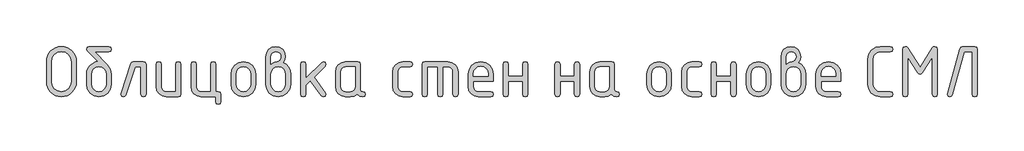
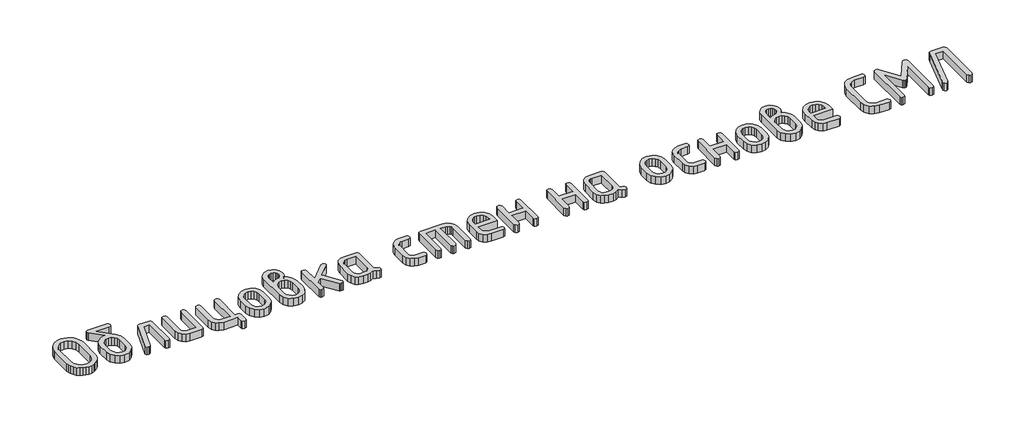
# One storey, part 14 of 33: 1 proxy.
"""IFC4 building model written with IfcOpenShell, lengths in millimetres."""

import ifcopenshell
import ifcopenshell.guid

model = None  # the IFC model being written
_history = None  # IfcOwnerHistory: only IFC2X3 demands one
_inside = {}  # id of a spatial element -> (the spatial element, [elements in it])
_under = {}  # id of a project, library or spatial element -> (it, [spatial elements below it])
_declared = {}  # id of a project -> (the project, [libraries it declares])
_typed = {}  # id of a type object -> (the type object, [elements of that type])
_made_of = {}  # id of a material, layer set ... -> (it, [elements and type objects made of it])


def new_model(schema):
    """Start an empty IFC model of exactly this schema.

    Asked for "IFC4X3", IfcOpenShell would pick the latest addendum, in which some entities
    have other attributes; the version numbers below select the first issue.
    IFC2X3 requires an IfcOwnerHistory on every rooted entity: one is made here for all.
    """
    global model, _history
    if schema == "IFC4X3":
        model = ifcopenshell.file(schema_version=(4, 3, 0, 0))
    else:
        model = ifcopenshell.file(schema=schema)
    _inside.clear()
    _under.clear()
    _declared.clear()
    _typed.clear()
    _made_of.clear()
    _history = None
    if model.schema == "IFC2X3":
        org = make("IfcOrganization", Name="unknown")
        user = make(
            "IfcPersonAndOrganization",
            ThePerson=make("IfcPerson", FamilyName="unknown"),
            TheOrganization=org,
        )
        app = make(
            "IfcApplication",
            ApplicationDeveloper=org,
            Version="unknown",
            ApplicationFullName="unknown",
            ApplicationIdentifier="unknown",
        )
        _history = make(
            "IfcOwnerHistory",
            OwningUser=user,
            OwningApplication=app,
            ChangeAction="ADDED",
            CreationDate=0,
        )
    return model


def make(cls, **values):
    """One entity of the class cls with the attributes given. An attribute that is None is left unset."""
    return model.create_entity(
        cls, **{name: value for name, value in values.items() if value is not None}
    )


def rooted(cls, **values):
    """An entity with a GlobalId (a new one), such as an element, a storey or a relation."""
    return make(cls, GlobalId=ifcopenshell.guid.new(), OwnerHistory=_history, **values)


def si_unit(unit_type, name, prefix=None):
    """IfcSIUnit, for example si_unit("LENGTHUNIT", "METRE", prefix="MILLI")."""
    return make("IfcSIUnit", UnitType=unit_type, Prefix=prefix, Name=name)


def assignment(units):
    """IfcUnitAssignment: the units of a project."""
    return None if units is None else make("IfcUnitAssignment", Units=units)


def point(xyz):
    """IfcCartesianPoint."""
    return None if xyz is None else make("IfcCartesianPoint", Coordinates=xyz)


def direction(xyz):
    """IfcDirection."""
    return None if xyz is None else make("IfcDirection", DirectionRatios=xyz)


def frame(location, z_axis=None, x_axis=None):
    """IfcAxis2Placement3D, a coordinate frame: its origin and axes. An axis left out is left unset."""
    return make(
        "IfcAxis2Placement3D",
        Location=point(location),
        Axis=direction(z_axis),
        RefDirection=direction(x_axis),
    )


def origin():
    """The frame at (0, 0, 0) with its axes left unset."""
    return frame((0.0, 0.0, 0.0))


def origin_with_axes():
    """The frame at (0, 0, 0) with the z axis (0, 0, 1) and the x axis (1, 0, 0) written out."""
    return frame((0.0, 0.0, 0.0), z_axis=(0.0, 0.0, 1.0), x_axis=(1.0, 0.0, 0.0))


def place(relative_to, where):
    """IfcLocalPlacement: puts the frame where relative to a parent placement (None: the world)."""
    return make(
        "IfcLocalPlacement", PlacementRelTo=relative_to, RelativePlacement=where
    )


def context(
    kind, dimensions, precision=None, world=None, true_north=None, identifier=None
):
    """IfcGeometricRepresentationContext, for example the 3D "Model" context."""
    return make(
        "IfcGeometricRepresentationContext",
        ContextIdentifier=identifier,
        ContextType=kind,
        CoordinateSpaceDimension=dimensions,
        Precision=precision,
        WorldCoordinateSystem=world,
        TrueNorth=true_north,
    )


def project(units=None, contexts=None):
    """IfcProject with its units and contexts."""
    return rooted(
        "IfcProject",
        Name="project",
        RepresentationContexts=contexts,
        UnitsInContext=assignment(units),
    )


def spatial(cls, under=None, at=None, **own):
    """A site, building, storey or space (cls), placed at a placement, below another one or the project."""
    s = rooted(cls, ObjectPlacement=at, **own)
    if under is not None:
        _under.setdefault(under.id(), (under, []))[1].append(s)
    return s


def polyline(points):
    """IfcPolyline through the points."""
    return make("IfcPolyline", Points=[point(p) for p in points])


def outline(outer, holes=None, kind="AREA"):
    """IfcArbitraryClosedProfileDef: a profile drawn as a closed curve; with holes, ...WithVoids."""
    if holes is None:
        return make("IfcArbitraryClosedProfileDef", ProfileType=kind, OuterCurve=outer)
    return make(
        "IfcArbitraryProfileDefWithVoids",
        ProfileType=kind,
        OuterCurve=outer,
        InnerCurves=holes,
    )


def extrude(swept, where, along, depth):
    """IfcExtrudedAreaSolid: the profile swept, set in the frame where, extruded along a direction by depth."""
    return make(
        "IfcExtrudedAreaSolid",
        SweptArea=swept,
        Position=where,
        ExtrudedDirection=direction(along),
        Depth=depth,
    )


def shape(context_of_items, identifier, shape_type, items):
    """IfcShapeRepresentation: the items that make up one representation, for example the "Body"."""
    return make(
        "IfcShapeRepresentation",
        ContextOfItems=context_of_items,
        RepresentationIdentifier=identifier,
        RepresentationType=shape_type,
        Items=items,
    )


def made_of(thing, what):
    """Note that an element or type object is made of a material, layer set ...; save() writes the relation."""
    if what is not None:
        _made_of.setdefault(what.id(), (what, []))[1].append(thing)
    return thing


def element(
    cls,
    number,
    at=None,
    inside=None,
    cuts=None,
    type_object=None,
    material=None,
    context=None,
    identifier="Body",
    shape_type=None,
    held_by="IfcProductDefinitionShape",
    body=None,
    shapes=None,
    **own,
):
    """One element of the class cls, such as IfcWall. Its Tag is "e" and its number.

    at: its placement. inside: the storey or other place that contains it. cuts: it is an
    opening in that element (IfcRelVoidsElement). A single representation is given by context,
    identifier, shape_type and body (its items); several are given by shapes. held_by: the class
    of the entity that holds the representations. save() writes the other relations.
    """
    e = rooted(cls, Tag="e%d" % number, ObjectPlacement=at, **own)
    if body is not None:
        shapes = [shape(context, identifier, shape_type, body)]
    if shapes is not None:
        e.Representation = make(held_by, Representations=shapes)
    if inside is not None:
        _inside.setdefault(inside.id(), (inside, []))[1].append(e)
    if cuts is not None:
        rooted(
            "IfcRelVoidsElement", RelatingBuildingElement=cuts, RelatedOpeningElement=e
        )
    if type_object is not None:
        _typed.setdefault(type_object.id(), (type_object, []))[1].append(e)
    return made_of(e, material)


def aggregate(whole, parts):
    """IfcRelAggregates: a whole, such as a stair, and the parts it consists of."""
    return rooted("IfcRelAggregates", RelatingObject=whole, RelatedObjects=parts)


def save(model, path):
    """Write the relations noted so far, then the file.

    IfcRelAggregates (storeys below a building ...), IfcRelContainedInSpatialStructure (elements
    in a storey), IfcRelDefinesByType, IfcRelAssociatesMaterial and IfcRelDeclares: one each for
    every whole, place, type object, material and project.
    """
    for whole, parts in _under.values():
        aggregate(whole, parts)
    for where, things in _inside.values():
        rooted(
            "IfcRelContainedInSpatialStructure",
            RelatedElements=things,
            RelatingStructure=where,
        )
    for kind, things in _typed.values():
        rooted("IfcRelDefinesByType", RelatedObjects=things, RelatingType=kind)
    for what, things in _made_of.values():
        rooted("IfcRelAssociatesMaterial", RelatedObjects=things, RelatingMaterial=what)
    for by, libraries in _declared.values():
        rooted("IfcRelDeclares", RelatingContext=by, RelatedDefinitions=libraries)
    model.write(path)


model = new_model("IFC4")

# Units and contexts
model_context = context("Model", 3, world=origin())
ifc_project = project(units=[si_unit("LENGTHUNIT", "METRE", prefix="MILLI")], contexts=[model_context])

# Site, building, storey
site = spatial("IfcSite", under=ifc_project)
building = spatial("IfcBuilding", under=site)
storey = spatial("IfcBuildingStorey", under=building, Elevation=0.0)

# Proxy
placement = place(None, origin())
element("IfcBuildingElementProxy", 1, Name="Generic Models", at=placement, inside=storey, context=model_context, shape_type="SweptSolid", body=[
    extrude(outline(polyline([(7448.6977978, -6395.3266612), (7447.0434019, -6413.5603227), (7442.0802144, -6430.4119584), (7433.8082352, -6445.8815683), (7422.2274643, -6459.9691524), (7408.3063285, -6471.6911522), (7393.0132548, -6480.0640092), (7376.348243, -6485.0877234), (7358.3112932, -6486.7622948), (7340.2743434, -6485.0877234), (7323.6093316, -6480.0640092), (7308.3162579, -6471.6911522), (7294.3951221, -6459.9691524), (7282.8143513, -6445.8815683), (7274.542372, -6430.4119584), (7269.5791845, -6413.5603227), (7267.9247887, -6395.3266612), (7267.9247887, -6273.4662846), (7269.5791845, -6255.2326231), (7274.542372, -6238.3809874), (7282.8143513, -6222.9113775), (7294.3951221, -6208.8237934), (7308.3162579, -6197.1017936), (7323.6093316, -6188.7289366), (7340.2743434, -6183.7052224), (7358.3112932, -6182.030651), (7376.4465989, -6183.6976565), (7393.1645715, -6188.6986732), (7408.4652111, -6197.0337011), (7422.3485176, -6208.70274), (7433.8763277, -6222.752495), (7442.1104777, -6238.2296707), (7447.0509677, -6255.1342672), (7448.6977978, -6273.4662846), (7448.6977978, -6395.3266612)]), holes=[polyline([(7417.7081391, -6395.0845545), (7417.7081391, -6273.7083913), (7413.4006572, -6250.1836894), (7400.4782116, -6230.6133972), (7381.3215183, -6217.4185815), (7358.3112932, -6213.0203097), (7335.3010681, -6217.4185815), (7316.1443748, -6230.6133972), (7303.2219292, -6250.1836894), (7298.9144474, -6273.7083913), (7298.9144474, -6395.0845545), (7303.2219292, -6418.6092564), (7316.1443748, -6438.1795487), (7335.3010681, -6451.3743643), (7358.3112932, -6455.7726361), (7381.3215183, -6451.3743643), (7400.4782116, -6438.1795487), (7413.4006572, -6418.6092564), (7417.7081391, -6395.0845545)])]), origin_with_axes(), (0.0, 0.0, 1.0), 50.0),
    extrude(outline(polyline([(7660.4604655, -6349.8913023), (7660.4604655, -6410.7407883), (7654.9828012, -6439.9650856), (7638.5498084, -6464.5288288), (7614.3492253, -6481.2039283), (7585.5687903, -6486.7622948), (7556.7883554, -6481.1938405), (7532.5877723, -6464.4884776), (7516.1547794, -6439.8742956), (7510.6771152, -6410.5793839), (7510.6771152, -6349.6491955), (7513.2696745, -6328.2177079), (7521.0473525, -6309.8428175), (7534.0101492, -6294.5245243), (7552.1580646, -6282.2628283), (7567.8748251, -6275.6654205), (7582.4214031, -6273.4662846), (7515.8420583, -6206.4834285), (7510.6771152, -6197.5254803), (7514.4095936, -6185.9043583), (7525.6070288, -6182.030651), (7645.5305518, -6182.030651), (7656.7279871, -6185.9043583), (7660.4604655, -6197.5254803), (7656.7279871, -6209.1466023), (7645.5305518, -6213.0203097), (7560.5510971, -6213.0203097), (7635.9269857, -6293.3997369), (7654.3270956, -6320.6770927), (7660.4604655, -6349.8913023)]), holes=[polyline([(7629.4708068, -6410.2565749), (7629.4708068, -6349.6491955), (7626.2528052, -6332.2175125), (7616.5988002, -6317.5297055), (7602.4052944, -6307.5428038), (7585.5687903, -6304.2138366), (7568.7322863, -6307.5428038), (7554.5387805, -6317.5297055), (7544.8847755, -6332.2175125), (7541.6667738, -6349.6491955), (7541.6667738, -6410.2565749), (7544.8545122, -6427.8496624), (7554.4177272, -6442.5374694), (7568.5809696, -6452.4638445), (7585.5687903, -6455.7726361), (7602.4052944, -6452.4436689), (7616.5988002, -6442.4567672), (7626.2528052, -6427.7487846), (7629.4708068, -6410.2565749)])]), origin_with_axes(), (0.0, 0.0, 1.0), 50.0),
    extrude(outline(polyline([(7795.7981156, -6274.9996271), (7856.728304, -6274.9996271), (7868.349426, -6278.7724566), (7872.2231333, -6290.0909452), (7872.2231333, -6471.6709767), (7868.349426, -6482.9894653), (7856.728304, -6486.7622948), (7845.1071819, -6482.9894653), (7841.2334746, -6471.6709767), (7841.2334746, -6305.9892858), (7806.6122153, -6305.9892858), (7749.4750321, -6476.5131108), (7744.16886, -6484.1999988), (7735.1907362, -6486.7622948), (7723.8117209, -6482.9289386), (7720.0187158, -6471.42887), (7720.745036, -6466.8288425), (7780.6260952, -6287.3470692), (7786.5173585, -6278.0864876), (7795.7981156, -6274.9996271)])), origin_with_axes(), (0.0, 0.0, 1.0), 50.0),
    extrude(outline(polyline([(8083.9858011, -6290.0909452), (8083.9858011, -6471.6709767), (8080.2331471, -6482.9894653), (8068.9751851, -6486.7622948), (7994.08351, -6486.7622948), (7970.8614415, -6482.3841985), (7951.5534315, -6469.2499096), (7938.5401959, -6449.740144), (7934.2024507, -6426.2356177), (7934.2024507, -6290.0909452), (7938.076158, -6278.7724566), (7949.6972801, -6274.9996271), (7961.3184021, -6278.7724566), (7965.1921094, -6290.0909452), (7965.1921094, -6425.670702), (7967.3508942, -6437.1001562), (7973.8272487, -6446.855039), (7983.3097614, -6453.5432369), (7994.4870211, -6455.7726361), (8052.9961424, -6455.7726361), (8052.9961424, -6290.0909452), (8056.8698497, -6278.7724566), (8068.4909717, -6274.9996271), (8080.1120937, -6278.7724566), (8083.9858011, -6290.0909452)])), origin_with_axes(), (0.0, 0.0, 1.0), 50.0),
    extrude(outline(polyline([(8311.2432982, -6455.7726361), (8322.8644202, -6459.6463435), (8326.7381276, -6471.2674655), (8326.7381276, -6517.7519535), (8322.8644202, -6529.3730756), (8311.2432982, -6533.2467829), (8299.6221762, -6529.3730756), (8295.7484689, -6517.7519535), (8295.7484689, -6486.7622948), (8205.8461777, -6486.7622948), (8182.6241093, -6482.3539352), (8163.3160993, -6469.1288562), (8150.3028637, -6449.5888273), (8145.9651185, -6426.2356177), (8145.9651185, -6290.0909452), (8149.8388258, -6278.7724566), (8161.4599478, -6274.9996271), (8173.0810698, -6278.7724566), (8176.9547772, -6290.0909452), (8176.9547772, -6425.670702), (8179.113562, -6437.1001562), (8185.5899165, -6446.855039), (8195.0724292, -6453.5432369), (8206.2496889, -6455.7726361), (8264.7588102, -6455.7726361), (8264.7588102, -6290.0909452), (8268.6325175, -6278.7724566), (8280.2536395, -6274.9996271), (8291.8747615, -6278.7724566), (8295.7484689, -6290.0909452), (8295.7484689, -6455.7726361), (8311.2432982, -6455.7726361)])), origin_with_axes(), (0.0, 0.0, 1.0), 50.0),
    extrude(outline(polyline([(8388.717445, -6411.1442995), (8388.717445, -6350.6176224), (8394.1951092, -6321.5446418), (8410.6281021, -6297.1120398), (8434.8286852, -6280.5277302), (8463.6091201, -6274.9996271), (8492.6921885, -6280.4672036), (8516.8322449, -6296.8699331), (8533.0836577, -6321.2420084), (8538.5007953, -6350.6176224), (8538.5007953, -6411.1442995), (8533.0231311, -6440.2172801), (8516.5901382, -6464.6498821), (8492.3895551, -6481.2341917), (8463.6091201, -6486.7622948), (8434.8286852, -6481.2341917), (8410.6281021, -6464.6498821), (8394.1951092, -6440.2172801), (8388.717445, -6411.1442995)]), holes=[polyline([(8507.5111366, -6410.2565749), (8507.5111366, -6349.6491955), (8504.293135, -6332.2175125), (8494.63913, -6317.5297055), (8480.4456242, -6307.5428038), (8463.6091201, -6304.2138366), (8446.7726161, -6307.5428038), (8432.5791103, -6317.5297055), (8422.9251053, -6332.2175125), (8419.7071037, -6349.6491955), (8419.7071037, -6410.2565749), (8422.894842, -6427.8496624), (8432.458057, -6442.5374694), (8446.6212994, -6452.4638445), (8463.6091201, -6455.7726361), (8480.4456242, -6452.4436689), (8494.63913, -6442.4567672), (8504.293135, -6427.7487846), (8507.5111366, -6410.2565749)])]), origin_with_axes(), (0.0, 0.0, 1.0), 50.0),
    extrude(outline(polyline([(8705.3123175, -6279.6803568), (8723.8435685, -6291.0694598), (8738.1177766, -6307.6436816), (8747.2270415, -6327.7284506), (8750.2634631, -6349.6491955), (8750.2634631, -6410.5793839), (8744.7857988, -6440.0256123), (8728.352806, -6464.609531), (8704.1522229, -6481.2241039), (8675.3717879, -6486.7622948), (8646.4400362, -6481.1938405), (8622.2697165, -6464.4884776), (8605.9275137, -6439.8742956), (8600.4801127, -6410.5793839), (8600.4801127, -6242.9608393), (8604.8077701, -6219.3554352), (8617.7907424, -6199.7044407), (8636.9676113, -6186.4490984), (8659.8769586, -6182.030651), (8682.8871837, -6186.4793617), (8702.043877, -6199.825494), (8714.9663226, -6219.5067519), (8719.2738044, -6242.9608393), (8715.7834327, -6263.6811384), (8705.3123175, -6279.6803568)]), holes=[polyline([(8719.2738044, -6410.2565749), (8719.2738044, -6349.6491955), (8716.0860661, -6332.2175125), (8706.5228511, -6317.5297055), (8692.3596086, -6307.5428038), (8675.3717879, -6304.2138366), (8658.3839672, -6307.5428038), (8644.2207247, -6317.5297055), (8634.6575098, -6332.2175125), (8631.4697714, -6349.6491955), (8631.4697714, -6410.2565749), (8634.6575098, -6427.8496624), (8644.2207247, -6442.5374694), (8658.3839672, -6452.4638445), (8675.3717879, -6455.7726361), (8692.3596086, -6452.4436689), (8706.5228511, -6442.4567672), (8716.0860661, -6427.7487846), (8719.2738044, -6410.2565749)]), polyline([(8631.4697714, -6289.7681363), (8649.9505835, -6278.4496477), (8666.8173509, -6274.6768181), (8675.8963525, -6272.0338199), (8684.2490339, -6264.1048252), (8690.1201216, -6254.2389768), (8692.0771508, -6244.3327773), (8689.8981904, -6232.5300753), (8683.3613093, -6222.7852802), (8673.5963387, -6216.2483991), (8661.73311, -6214.0694387), (8650.0817247, -6216.2786625), (8640.3066663, -6222.9063336), (8633.6789951, -6232.681392), (8631.4697714, -6244.3327773), (8631.4697714, -6289.7681363)])]), origin_with_axes(), (0.0, 0.0, 1.0), 50.0),
    extrude(outline(polyline([(8843.2324392, -6374.4247821), (8938.4610779, -6279.3575478), (8949.2751776, -6274.9996271), (8960.6541929, -6278.7724566), (8964.447198, -6290.0909452), (8959.8471705, -6300.6629382), (8893.2678256, -6367.1615808), (8961.4612152, -6462.9551352), (8964.447198, -6471.8323811), (8960.6541929, -6483.0298164), (8949.2751776, -6486.7622948), (8942.1330297, -6485.1482501), (8936.6856287, -6480.3061159), (8871.4782219, -6388.7090779), (8843.2324392, -6416.9548605), (8843.2324392, -6471.5902744), (8839.3587319, -6482.9692897), (8827.7376099, -6486.7622948), (8816.1164878, -6482.9894653), (8812.2427805, -6471.6709767), (8812.2427805, -6290.0909452), (8816.1164878, -6278.7724566), (8827.7376099, -6274.9996271), (8839.3587319, -6278.7724566), (8843.2324392, -6290.0909452), (8843.2324392, -6374.4247821)])), origin_with_axes(), (0.0, 0.0, 1.0), 50.0),
    extrude(outline(polyline([(9204.0521372, -6471.6709767), (9200.2793077, -6482.9894653), (9188.9608191, -6486.7622948), (9169.8142135, -6482.7473586), (9154.5009642, -6470.7025498), (9136.0806788, -6482.7473586), (9113.9077394, -6486.7622948), (9083.8865075, -6486.7622948), (9060.6644391, -6482.3841985), (9041.3564291, -6469.2499096), (9028.3431935, -6449.740144), (9024.0054483, -6426.2356177), (9024.0054483, -6335.5263042), (9028.3431935, -6312.0217779), (9041.3564291, -6292.5120123), (9060.6644391, -6279.3777234), (9083.8865075, -6274.9996271), (9158.7781827, -6274.9996271), (9170.0361447, -6278.7724566), (9173.7887987, -6290.0909452), (9173.7887987, -6441.4076381), (9177.571716, -6452.7261267), (9188.920468, -6456.4989563), (9200.2692199, -6460.2919614), (9204.0521372, -6471.6709767)]), holes=[polyline([(9142.79914, -6305.9892858), (9084.2900187, -6305.9892858), (9073.0118812, -6308.1783339), (9063.549544, -6314.7454784), (9057.1337162, -6324.419659), (9054.995107, -6335.9298154), (9054.995107, -6425.8321065), (9057.1538918, -6437.2413852), (9063.6302463, -6446.9357413), (9073.112759, -6453.5634124), (9084.2900187, -6455.7726361), (9113.5042282, -6455.7726361), (9124.7823657, -6453.583588), (9134.2447029, -6447.0164435), (9140.6605307, -6437.3422629), (9142.79914, -6425.8321065), (9142.79914, -6305.9892858)])]), origin_with_axes(), (0.0, 0.0, 1.0), 50.0),
    extrude(outline(polyline([(9401.0462958, -6335.9298154), (9401.0462958, -6425.8321065), (9403.2857828, -6437.2413852), (9410.004244, -6446.9357413), (9419.8095657, -6453.5634124), (9431.3096344, -6455.7726361), (9476.8256956, -6455.7726361), (9488.1441842, -6459.6463435), (9491.9170137, -6471.2674655), (9488.1441842, -6482.8885875), (9476.8256956, -6486.7622948), (9431.3096344, -6486.7622948), (9407.764757, -6482.3841985), (9387.9725335, -6469.2499096), (9374.5356112, -6449.740144), (9370.0566371, -6426.2356177), (9370.0566371, -6335.5263042), (9374.5356112, -6312.0217779), (9387.9725335, -6292.5120123), (9407.764757, -6279.3777234), (9431.3096344, -6274.9996271), (9476.8256956, -6274.9996271), (9488.1441842, -6278.8733344), (9491.9170137, -6290.4944564), (9488.1441842, -6302.1155784), (9476.8256956, -6305.9892858), (9431.3096344, -6305.9892858), (9419.658249, -6308.1783339), (9409.8831907, -6314.7454784), (9403.2555195, -6324.419659), (9401.0462958, -6335.9298154)])), origin_with_axes(), (0.0, 0.0, 1.0), 50.0),
    extrude(outline(polyline([(9566.3244755, -6274.9996271), (9705.7779397, -6274.9996271), (9729.6658016, -6279.4079867), (9749.6799562, -6292.6330657), (9763.2379318, -6312.1730946), (9767.7572571, -6335.5263042), (9767.7572571, -6471.6709767), (9763.8835497, -6482.9894653), (9752.2624277, -6486.7622948), (9740.6413057, -6482.9894653), (9736.7675984, -6471.6709767), (9736.7675984, -6336.0912199), (9734.5381991, -6324.3591323), (9727.8500013, -6314.6647762), (9717.8731873, -6308.1581584), (9705.7779397, -6305.9892858), (9674.788281, -6305.9892858), (9674.788281, -6471.6709767), (9670.9145736, -6482.9894653), (9659.2934516, -6486.7622948), (9647.6723296, -6482.9894653), (9643.7986223, -6471.6709767), (9643.7986223, -6305.9892858), (9581.8193049, -6305.9892858), (9581.8193049, -6471.6709767), (9577.9455975, -6482.9894653), (9566.3244755, -6486.7622948), (9554.7033535, -6482.9894653), (9550.8296462, -6471.6709767), (9550.8296462, -6290.0909452), (9554.7033535, -6278.7724566), (9566.3244755, -6274.9996271)])), origin_with_axes(), (0.0, 0.0, 1.0), 50.0),
    extrude(outline(polyline([(9860.7262332, -6393.7933187), (9860.7262332, -6424.7829774), (9862.9657202, -6436.5755917), (9869.6841814, -6446.6129323), (9879.4895031, -6453.4827102), (9890.9895717, -6455.7726361), (9966.7689715, -6455.7726361), (9978.1479868, -6459.6463435), (9981.9409919, -6471.2674655), (9978.1479868, -6482.8885875), (9966.7689715, -6486.7622948), (9890.9895717, -6486.7622948), (9867.4446943, -6482.3841985), (9847.6524709, -6469.2499096), (9834.2155486, -6449.740144), (9829.7365745, -6426.2356177), (9829.7365745, -6350.6176224), (9835.3554677, -6321.5446418), (9852.2121472, -6297.1120398), (9876.9372949, -6280.5277302), (9906.1615921, -6274.9996271), (9935.6078206, -6280.3663258), (9960.0303348, -6296.4664219), (9976.4633276, -6320.3946349), (9981.9409919, -6349.2456844), (9981.9409919, -6393.7933187), (9860.7262332, -6393.7933187)]), holes=[polyline([(9906.1615921, -6302.1962807), (9888.7299091, -6305.5252479), (9874.0421021, -6315.5121496), (9864.0552004, -6330.1999566), (9860.7262332, -6347.6316396), (9860.7262332, -6362.80366), (9951.5969511, -6362.80366), (9951.5969511, -6347.6316396), (9948.2679839, -6330.1999566), (9938.2810821, -6315.5121496), (9923.5932752, -6305.5252479), (9906.1615921, -6302.1962807)])]), origin_with_axes(), (0.0, 0.0, 1.0), 50.0),
    extrude(outline(polyline([(10072.4889009, -6393.7933187), (10072.4889009, -6471.2674655), (10068.6151936, -6482.8885875), (10056.9940716, -6486.7622948), (10045.3729496, -6482.9894653), (10041.4992422, -6471.6709767), (10041.4992422, -6290.0909452), (10045.3729496, -6278.7724566), (10056.9940716, -6274.9996271), (10068.6151936, -6278.6514033), (10072.4889009, -6289.6067318), (10072.4889009, -6362.80366), (10160.2929339, -6362.80366), (10160.2929339, -6289.6067318), (10164.1666413, -6278.6514033), (10175.7877633, -6274.9996271), (10187.4088853, -6278.7724566), (10191.2825926, -6290.0909452), (10191.2825926, -6471.6709767), (10187.4088853, -6482.9894653), (10175.7877633, -6486.7622948), (10164.1666413, -6482.8885875), (10160.2929339, -6471.2674655), (10160.2929339, -6393.7933187), (10072.4889009, -6393.7933187)])), origin_with_axes(), (0.0, 0.0, 1.0), 50.0),
    extrude(outline(polyline([(10387.550431, -6393.7933187), (10387.550431, -6471.2674655), (10383.6767237, -6482.8885875), (10372.0556017, -6486.7622948), (10360.4344797, -6482.9894653), (10356.5607723, -6471.6709767), (10356.5607723, -6290.0909452), (10360.4344797, -6278.7724566), (10372.0556017, -6274.9996271), (10383.6767237, -6278.6514033), (10387.550431, -6289.6067318), (10387.550431, -6362.80366), (10475.354464, -6362.80366), (10475.354464, -6289.6067318), (10479.2281714, -6278.6514033), (10490.8492934, -6274.9996271), (10502.4704154, -6278.7724566), (10506.3441227, -6290.0909452), (10506.3441227, -6471.6709767), (10502.4704154, -6482.9894653), (10490.8492934, -6486.7622948), (10479.2281714, -6482.8885875), (10475.354464, -6471.2674655), (10475.354464, -6393.7933187), (10387.550431, -6393.7933187)])), origin_with_axes(), (0.0, 0.0, 1.0), 50.0),
    extrude(outline(polyline([(10748.3701291, -6471.6709767), (10744.5972995, -6482.9894653), (10733.2788109, -6486.7622948), (10714.1322054, -6482.7473586), (10698.818956, -6470.7025498), (10680.3986706, -6482.7473586), (10658.2257312, -6486.7622948), (10628.2044994, -6486.7622948), (10604.9824309, -6482.3841985), (10585.6744209, -6469.2499096), (10572.6611853, -6449.740144), (10568.3234401, -6426.2356177), (10568.3234401, -6335.5263042), (10572.6611853, -6312.0217779), (10585.6744209, -6292.5120123), (10604.9824309, -6279.3777234), (10628.2044994, -6274.9996271), (10703.0961746, -6274.9996271), (10714.3541365, -6278.7724566), (10718.1067905, -6290.0909452), (10718.1067905, -6441.4076381), (10721.8897078, -6452.7261267), (10733.2384598, -6456.4989563), (10744.5872117, -6460.2919614), (10748.3701291, -6471.6709767)]), holes=[polyline([(10687.1171318, -6305.9892858), (10628.6080106, -6305.9892858), (10617.329873, -6308.1783339), (10607.8675359, -6314.7454784), (10601.4517081, -6324.419659), (10599.3130988, -6335.9298154), (10599.3130988, -6425.8321065), (10601.4718836, -6437.2413852), (10607.9482381, -6446.9357413), (10617.4307508, -6453.5634124), (10628.6080106, -6455.7726361), (10657.8222201, -6455.7726361), (10669.1003576, -6453.583588), (10678.5626948, -6447.0164435), (10684.9785225, -6437.3422629), (10687.1171318, -6425.8321065), (10687.1171318, -6305.9892858)])]), origin_with_axes(), (0.0, 0.0, 1.0), 50.0),
    extrude(outline(polyline([(10914.3746289, -6411.1442995), (10914.3746289, -6350.6176224), (10919.8522932, -6321.5446418), (10936.2852861, -6297.1120398), (10960.4858691, -6280.5277302), (10989.2663041, -6274.9996271), (11018.3493725, -6280.4672036), (11042.4894289, -6296.8699331), (11058.7408417, -6321.2420084), (11064.1579793, -6350.6176224), (11064.1579793, -6411.1442995), (11058.680315, -6440.2172801), (11042.2473222, -6464.6498821), (11018.0467391, -6481.2341917), (10989.2663041, -6486.7622948), (10960.4858691, -6481.2341917), (10936.2852861, -6464.6498821), (10919.8522932, -6440.2172801), (10914.3746289, -6411.1442995)]), holes=[polyline([(11033.1683206, -6410.2565749), (11033.1683206, -6349.6491955), (11029.9503189, -6332.2175125), (11020.2963139, -6317.5297055), (11006.1028081, -6307.5428038), (10989.2663041, -6304.2138366), (10972.4298001, -6307.5428038), (10958.2362943, -6317.5297055), (10948.5822893, -6332.2175125), (10945.3642876, -6349.6491955), (10945.3642876, -6410.2565749), (10948.552026, -6427.8496624), (10958.1152409, -6442.5374694), (10972.2784834, -6452.4638445), (10989.2663041, -6455.7726361), (11006.1028081, -6452.4436689), (11020.2963139, -6442.4567672), (11029.9503189, -6427.7487846), (11033.1683206, -6410.2565749)])]), origin_with_axes(), (0.0, 0.0, 1.0), 50.0),
    extrude(outline(polyline([(11157.1269554, -6335.9298154), (11157.1269554, -6425.8321065), (11159.3664425, -6437.2413852), (11166.0849036, -6446.9357413), (11175.8902253, -6453.5634124), (11187.390294, -6455.7726361), (11232.9063552, -6455.7726361), (11244.2248438, -6459.6463435), (11247.9976734, -6471.2674655), (11244.2248438, -6482.8885875), (11232.9063552, -6486.7622948), (11187.390294, -6486.7622948), (11163.8454166, -6482.3841985), (11144.0531931, -6469.2499096), (11130.6162708, -6449.740144), (11126.1372967, -6426.2356177), (11126.1372967, -6335.5263042), (11130.6162708, -6312.0217779), (11144.0531931, -6292.5120123), (11163.8454166, -6279.3777234), (11187.390294, -6274.9996271), (11232.9063552, -6274.9996271), (11244.2248438, -6278.8733344), (11247.9976734, -6290.4944564), (11244.2248438, -6302.1155784), (11232.9063552, -6305.9892858), (11187.390294, -6305.9892858), (11175.7389086, -6308.1783339), (11165.9638503, -6314.7454784), (11159.3361791, -6324.419659), (11157.1269554, -6335.9298154)])), origin_with_axes(), (0.0, 0.0, 1.0), 50.0),
    extrude(outline(polyline([(11337.8999645, -6393.7933187), (11337.8999645, -6471.2674655), (11334.0262571, -6482.8885875), (11322.4051351, -6486.7622948), (11310.7840131, -6482.9894653), (11306.9103058, -6471.6709767), (11306.9103058, -6290.0909452), (11310.7840131, -6278.7724566), (11322.4051351, -6274.9996271), (11334.0262571, -6278.6514033), (11337.8999645, -6289.6067318), (11337.8999645, -6362.80366), (11425.7039975, -6362.80366), (11425.7039975, -6289.6067318), (11429.5777048, -6278.6514033), (11441.1988268, -6274.9996271), (11452.8199488, -6278.7724566), (11456.6936562, -6290.0909452), (11456.6936562, -6471.6709767), (11452.8199488, -6482.9894653), (11441.1988268, -6486.7622948), (11429.5777048, -6482.8885875), (11425.7039975, -6471.2674655), (11425.7039975, -6393.7933187), (11337.8999645, -6393.7933187)])), origin_with_axes(), (0.0, 0.0, 1.0), 50.0),
    extrude(outline(polyline([(11518.6729736, -6411.1442995), (11518.6729736, -6350.6176224), (11524.1506378, -6321.5446418), (11540.5836307, -6297.1120398), (11564.7842138, -6280.5277302), (11593.5646487, -6274.9996271), (11622.6477171, -6280.4672036), (11646.7877735, -6296.8699331), (11663.0391863, -6321.2420084), (11668.4563239, -6350.6176224), (11668.4563239, -6411.1442995), (11662.9786597, -6440.2172801), (11646.5456668, -6464.6498821), (11622.3450837, -6481.2341917), (11593.5646487, -6486.7622948), (11564.7842138, -6481.2341917), (11540.5836307, -6464.6498821), (11524.1506378, -6440.2172801), (11518.6729736, -6411.1442995)]), holes=[polyline([(11637.4666652, -6410.2565749), (11637.4666652, -6349.6491955), (11634.2486636, -6332.2175125), (11624.5946586, -6317.5297055), (11610.4011528, -6307.5428038), (11593.5646487, -6304.2138366), (11576.7281447, -6307.5428038), (11562.5346389, -6317.5297055), (11552.8806339, -6332.2175125), (11549.6626323, -6349.6491955), (11549.6626323, -6410.2565749), (11552.8503706, -6427.8496624), (11562.4135856, -6442.5374694), (11576.576828, -6452.4638445), (11593.5646487, -6455.7726361), (11610.4011528, -6452.4436689), (11624.5946586, -6442.4567672), (11634.2486636, -6427.7487846), (11637.4666652, -6410.2565749)])]), origin_with_axes(), (0.0, 0.0, 1.0), 50.0),
    extrude(outline(polyline([(11835.2678461, -6279.6803568), (11853.7990971, -6291.0694598), (11868.0733052, -6307.6436816), (11877.1825701, -6327.7284506), (11880.2189917, -6349.6491955), (11880.2189917, -6410.5793839), (11874.7413274, -6440.0256123), (11858.3083346, -6464.609531), (11834.1077515, -6481.2241039), (11805.3273165, -6486.7622948), (11776.3955648, -6481.1938405), (11752.2252451, -6464.4884776), (11735.8830423, -6439.8742956), (11730.4356413, -6410.5793839), (11730.4356413, -6242.9608393), (11734.7632987, -6219.3554352), (11747.746271, -6199.7044407), (11766.9231399, -6186.4490984), (11789.8324872, -6182.030651), (11812.8427123, -6186.4793617), (11831.9994056, -6199.825494), (11844.9218512, -6219.5067519), (11849.229333, -6242.9608393), (11845.7389613, -6263.6811384), (11835.2678461, -6279.6803568)]), holes=[polyline([(11761.4253, -6289.7681363), (11779.9061121, -6278.4496477), (11796.7728795, -6274.6768181), (11805.8518811, -6272.0338199), (11814.2045625, -6264.1048252), (11820.0756502, -6254.2389768), (11822.0326794, -6244.3327773), (11819.853719, -6232.5300753), (11813.3168379, -6222.7852802), (11803.5518673, -6216.2483991), (11791.6886386, -6214.0694387), (11780.0372533, -6216.2786625), (11770.2621949, -6222.9063336), (11763.6345237, -6232.681392), (11761.4253, -6244.3327773), (11761.4253, -6289.7681363)]), polyline([(11849.229333, -6410.2565749), (11849.229333, -6349.6491955), (11846.0415947, -6332.2175125), (11836.4783797, -6317.5297055), (11822.3151372, -6307.5428038), (11805.3273165, -6304.2138366), (11788.3394958, -6307.5428038), (11774.1762533, -6317.5297055), (11764.6130384, -6332.2175125), (11761.4253, -6349.6491955), (11761.4253, -6410.2565749), (11764.6130384, -6427.8496624), (11774.1762533, -6442.5374694), (11788.3394958, -6452.4638445), (11805.3273165, -6455.7726361), (11822.3151372, -6452.4436689), (11836.4783797, -6442.4567672), (11846.0415947, -6427.7487846), (11849.229333, -6410.2565749)])]), origin_with_axes(), (0.0, 0.0, 1.0), 50.0),
    extrude(outline(polyline([(11973.1879678, -6393.7933187), (11973.1879678, -6424.7829774), (11975.4274549, -6436.5755917), (11982.145916, -6446.6129323), (11991.9512377, -6453.4827102), (12003.4513064, -6455.7726361), (12079.2307062, -6455.7726361), (12090.6097215, -6459.6463435), (12094.4027266, -6471.2674655), (12090.6097215, -6482.8885875), (12079.2307062, -6486.7622948), (12003.4513064, -6486.7622948), (11979.906429, -6482.3841985), (11960.1142055, -6469.2499096), (11946.6772832, -6449.740144), (11942.1983091, -6426.2356177), (11942.1983091, -6350.6176224), (11947.8172023, -6321.5446418), (11964.6738819, -6297.1120398), (11989.3990295, -6280.5277302), (12018.6233268, -6274.9996271), (12048.0695552, -6280.3663258), (12072.4920694, -6296.4664219), (12088.9250623, -6320.3946349), (12094.4027266, -6349.2456844), (12094.4027266, -6393.7933187), (11973.1879678, -6393.7933187)]), holes=[polyline([(12018.6233268, -6302.1962807), (12001.1916438, -6305.5252479), (11986.5038368, -6315.5121496), (11976.516935, -6330.1999566), (11973.1879678, -6347.6316396), (11973.1879678, -6362.80366), (12064.0586858, -6362.80366), (12064.0586858, -6347.6316396), (12060.7297185, -6330.1999566), (12050.7428168, -6315.5121496), (12036.0550098, -6305.5252479), (12018.6233268, -6302.1962807)])]), origin_with_axes(), (0.0, 0.0, 1.0), 50.0),
    extrude(outline(polyline([(12394.2922363, -6182.030651), (12405.6712516, -6185.9043583), (12409.4642567, -6197.5254803), (12405.6712516, -6209.1466023), (12394.2922363, -6213.0203097), (12333.6848569, -6213.0203097), (12310.8057729, -6218.6492906), (12294.4635701, -6235.5362336), (12289.803016, -6246.5722644), (12288.2494979, -6258.5363709), (12288.2494979, -6410.2565749), (12291.5784652, -6427.7487846), (12301.5653669, -6442.4567672), (12316.2531739, -6452.4436689), (12333.6848569, -6455.7726361), (12394.2922363, -6455.7726361), (12405.6712516, -6459.6463435), (12409.4642567, -6471.2674655), (12405.6712516, -6482.8885875), (12394.2922363, -6486.7622948), (12333.6848569, -6486.7622948), (12304.4605596, -6481.1938405), (12279.735412, -6464.4884776), (12262.8787324, -6439.8742956), (12257.2598392, -6410.5793839), (12257.2598392, -6258.2135619), (12262.8787324, -6228.9186502), (12279.735412, -6204.3044682), (12304.4605596, -6187.5991053), (12333.6848569, -6182.030651), (12394.2922363, -6182.030651)])), origin_with_axes(), (0.0, 0.0, 1.0), 50.0),
    extrude(outline(polyline([(12663.9991096, -6182.030651), (12676.5886585, -6185.8438316), (12680.7851748, -6197.2833736), (12680.7851748, -6471.5095722), (12676.9114674, -6482.9491142), (12665.2903454, -6486.7622948), (12653.6692234, -6482.9491142), (12649.7955161, -6471.5095722), (12649.7955161, -6247.3994623), (12588.7846255, -6339.9649272), (12582.2477444, -6346.8044417), (12574.9038409, -6349.0842799), (12567.438884, -6346.8044417), (12560.8616518, -6339.9649272), (12500.0121657, -6247.3994623), (12500.0121657, -6471.5095722), (12496.1384584, -6482.9491142), (12484.5173363, -6486.7622948), (12472.8962143, -6482.9491142), (12469.022507, -6471.5095722), (12469.022507, -6197.2833736), (12473.138321, -6185.8438316), (12485.4857632, -6182.030651), (12493.636689, -6183.9271535), (12500.0121657, -6189.6166612), (12574.6617342, -6306.7156059), (12649.7955161, -6188.7289366), (12655.7674815, -6183.7052224), (12663.9991096, -6182.030651)])), origin_with_axes(), (0.0, 0.0, 1.0), 50.0),
    extrude(outline(polyline([(12831.4562497, -6182.030651), (12908.0426719, -6182.030651), (12919.6637939, -6185.8438316), (12923.5375012, -6197.2833736), (12923.5375012, -6471.5095722), (12919.6637939, -6482.9491142), (12908.0426719, -6486.7622948), (12896.4215499, -6482.9692897), (12892.5478425, -6471.5902744), (12892.5478425, -6213.0203097), (12843.4001807, -6213.0203097), (12770.6067637, -6476.1903019), (12765.5023472, -6484.1192966), (12756.1610634, -6486.7622948), (12744.7820481, -6482.9491142), (12740.989043, -6471.5095722), (12742.1995765, -6466.0218201), (12816.2842293, -6197.2833736), (12822.1754926, -6185.8438316), (12831.4562497, -6182.030651)])), origin_with_axes(), (0.0, 0.0, 1.0), 50.0),
])

save(model, "model.ifc")
